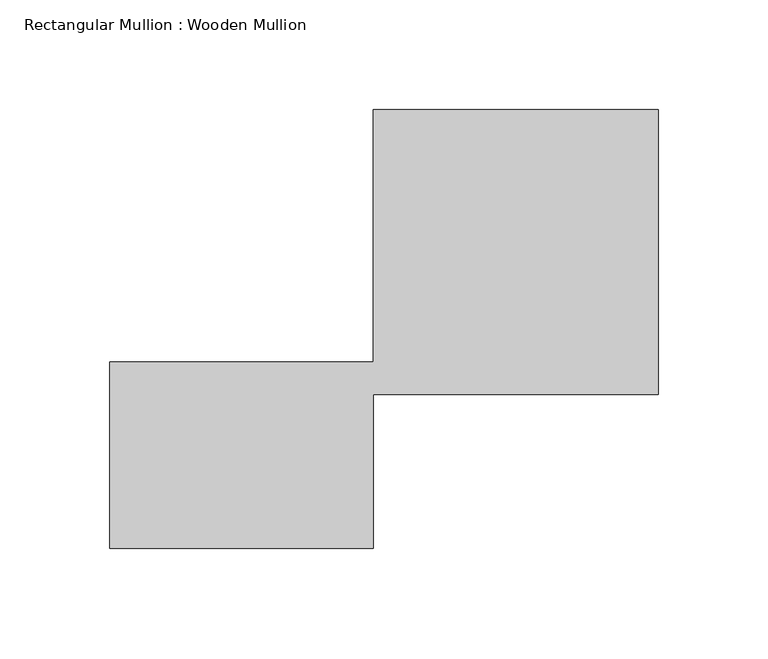
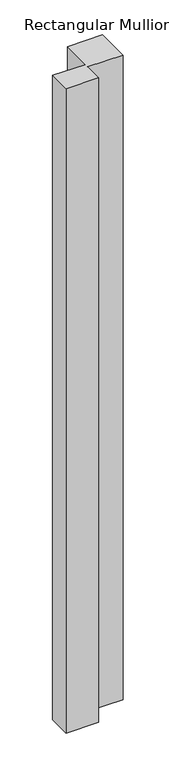
"""IFC4 building model written with IfcOpenShell, lengths in millimetres: member geometry, Rectangular Mullion : Wooden Mullion."""

from ifc_helpers import new_model, si_unit, frame, origin, place, context, project, spatial, polyline, outline, extrude, source, transform, mapped, element, save


def rectangular_mullion_wooden_mullion_b78531bd(model_context):
    return source(origin(), model_context, "Body", "SweptSolid", [
        extrude(outline(polyline([(74.8100006, -26.0137344), (-45.1899994, -26.0137344), (-45.1899994, 58.9862656), (74.8100006, 58.9862656), (74.8100006, 173.9862656), (204.8100006, 173.9862656), (204.8100006, 43.9862656), (74.8100006, 43.9862656), (74.8100006, -26.0137344)])), frame((0.0, 0.0, -2506.0311572), z_axis=(0.0, 0.0, 1.0), x_axis=(1.0, 0.0, 0.0)), (0.0, 0.0, 1.0), 2506.0311572),
    ])


if __name__ == "__main__":
    model = new_model("IFC4")
    model_context = context("Model", 3, world=origin())
    ifc_project = project(units=[si_unit("LENGTHUNIT", "METRE", prefix="MILLI")], contexts=[model_context])
    site = spatial("IfcSite", under=ifc_project)
    building = spatial("IfcBuilding", under=site)
    placement = place(None, origin())
    rectangular_mullion_wooden_mullion_shape = rectangular_mullion_wooden_mullion_b78531bd(model_context)
    element("IfcMember", 1, ObjectType="Rectangular Mullion : Wooden Mullion", at=placement, inside=building, context=model_context, shape_type="MappedRepresentation", body=[
        mapped(rectangular_mullion_wooden_mullion_shape, transform((0.0, 0.0, 0.0), x_axis=(1.0, 0.0, 0.0), y_axis=(0.0, 1.0, 0.0), z_axis=(0.0, 0.0, 1.0))),
    ])
    save(model, "model.ifc")
